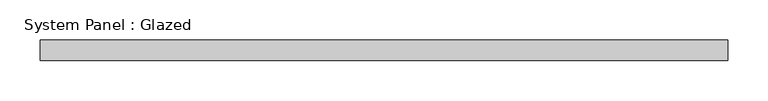
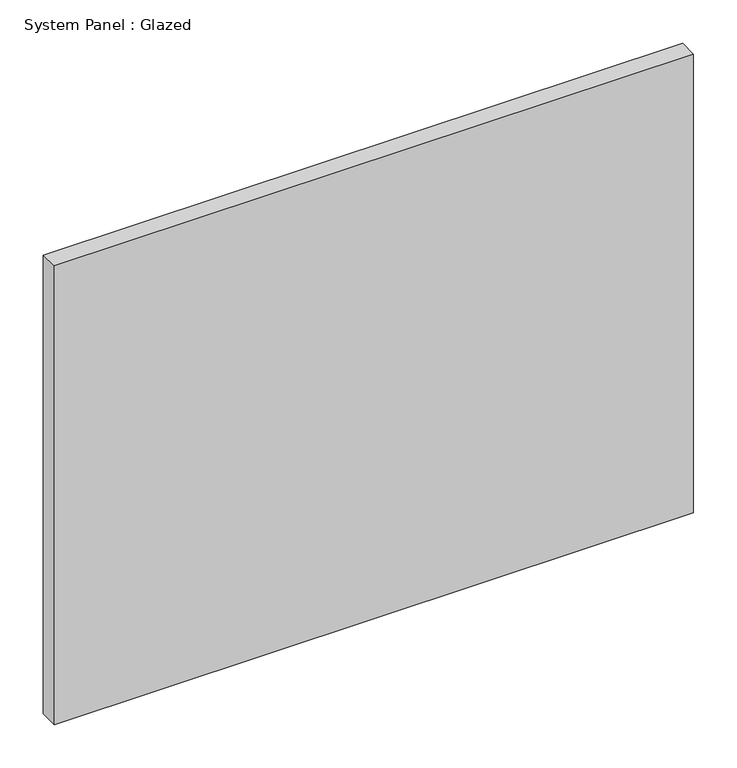
"""IFC4 building model written with IfcOpenShell, lengths in millimetres: plate geometry, System Panel : Glazed."""

from ifc_helpers import new_model, si_unit, origin, origin_with_axes, place, context, project, spatial, polyline, outline, extrude, source, transform, mapped, element, save


def system_panel_glazed_475d06bc(model_context):
    return source(origin(), model_context, "Body", "SweptSolid", [
        extrude(outline(polyline([(425.0, -49.5), (-425.0, -49.5), (-425.0, -24.5), (425.0, -24.5), (425.0, -49.5)])), origin_with_axes(), (0.0, 0.0, 1.0), 645.0),
    ])


if __name__ == "__main__":
    model = new_model("IFC4")
    model_context = context("Model", 3, world=origin())
    ifc_project = project(units=[si_unit("LENGTHUNIT", "METRE", prefix="MILLI")], contexts=[model_context])
    site = spatial("IfcSite", under=ifc_project)
    building = spatial("IfcBuilding", under=site)
    placement = place(None, origin())
    system_panel_glazed_shape = system_panel_glazed_475d06bc(model_context)
    element("IfcPlate", 1, ObjectType="System Panel : Glazed", at=placement, inside=building, context=model_context, shape_type="MappedRepresentation", body=[
        mapped(system_panel_glazed_shape, transform((0.0, 0.0, 0.0), x_axis=(1.0, 0.0, 0.0), y_axis=(0.0, 1.0, 0.0), z_axis=(0.0, 0.0, 1.0))),
    ])
    save(model, "model.ifc")
